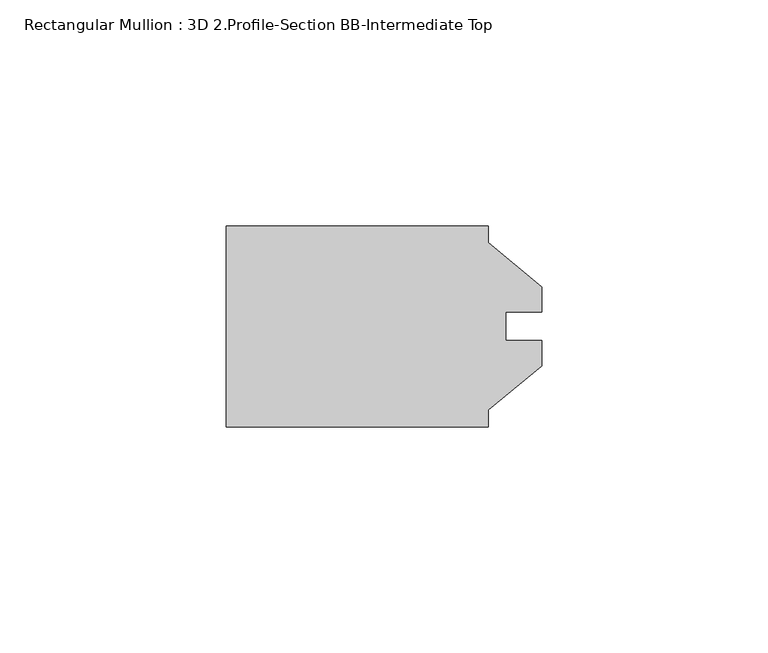
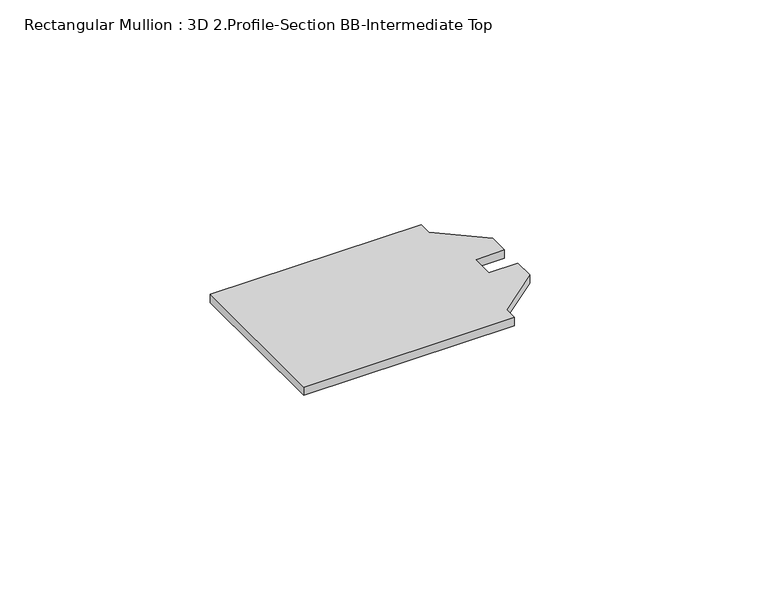
"""IFC4 building model written with IfcOpenShell, lengths in millimetres: member geometry, Rectangular Mullion : 3D 2.Profile-Section BB-Intermediate Top."""

from ifc_helpers import new_model, si_unit, frame, origin, place, context, project, spatial, polyline, outline, extrude, source, transform, mapped, element, save


def rectangular_mullion_3d_2_profile_section_bb_intermediate_top_888ad028(model_context):
    return source(origin(), model_context, "Body", "SweptSolid", [
        extrude(outline(polyline([(0.796925, 22.2630811), (58.734325, 22.2630811), (58.734325, 18.5569171), (70.640575, 8.7883811), (70.640575, 3.2130811), (62.696725, 3.2130811), (62.696725, -3.1369189), (70.640575, -3.1369189), (70.640575, -8.7122189), (58.734325, -18.4807549), (58.734325, -22.1869189), (0.796925, -22.1869189), (0.796925, 22.2630811)])), frame((0.0, 0.0, -2.38125), z_axis=(0.0, 0.0, 1.0), x_axis=(1.0, 0.0, 0.0)), (0.0, 0.0, 1.0), 2.38125),
    ])


if __name__ == "__main__":
    model = new_model("IFC4")
    model_context = context("Model", 3, world=origin())
    ifc_project = project(units=[si_unit("LENGTHUNIT", "METRE", prefix="MILLI")], contexts=[model_context])
    site = spatial("IfcSite", under=ifc_project)
    building = spatial("IfcBuilding", under=site)
    placement = place(None, origin())
    rectangular_mullion_3d_2_profile_section_bb_intermediate_top_shape = rectangular_mullion_3d_2_profile_section_bb_intermediate_top_888ad028(model_context)
    element("IfcMember", 1, ObjectType="Rectangular Mullion : 3D 2.Profile-Section BB-Intermediate Top", at=placement, inside=building, context=model_context, shape_type="MappedRepresentation", body=[
        mapped(rectangular_mullion_3d_2_profile_section_bb_intermediate_top_shape, transform((0.0, 0.0, 0.0), x_axis=(1.0, 0.0, 0.0), y_axis=(0.0, 1.0, 0.0), z_axis=(0.0, 0.0, 1.0))),
    ])
    save(model, "model.ifc")
